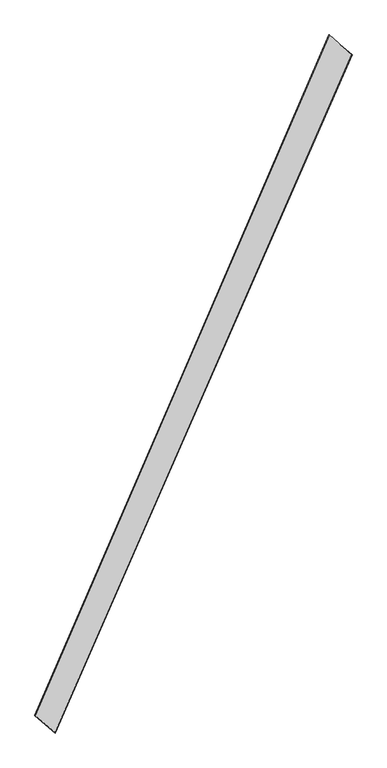
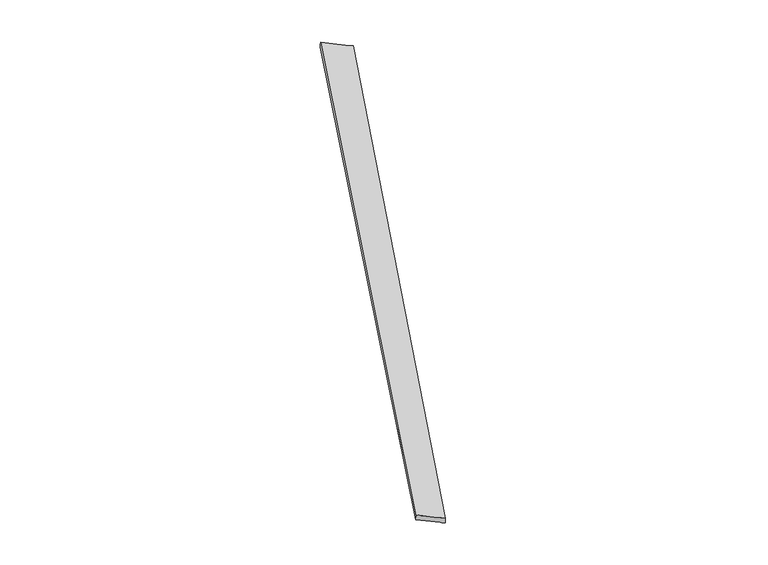
"""IFC4 building model written with IfcOpenShell, lengths in millimetres: proxy geometry."""

from ifc_helpers import new_model, si_unit, origin, place, context, project, spatial, source, transform, mapped, element, save
from ifc_brep_helpers import spline_surface, advanced_brep


def generic_models_7a6e8adc(model_context):
    return source(origin(), model_context, "Body", "AdvancedBrep", [
        advanced_brep(
        [(-708.7939594, -1795.6113638, 0.4552841), (-710.2056513, -1795.0007671, -29.5052615), (983.0409743, 2069.6324946, -30.3812591), (981.7454829, 2070.205763, -0.4147266), (-824.2451152, -1696.011464, -30.3900101), (851.4414684, 2181.3664393, -29.5299356), (-826.0621275, -1695.2309844, -0.4552591), (853.110604, 2180.6365852, 0.4147016)],
        [
            (0, 1),
            (1, 2),
            (2, 3),
            (3, 0),
            (1, 4),
            (4, 5),
            (5, 2),
            (4, 6),
            (6, 7),
            (7, 5),
            (6, 0),
            (3, 7),
        ],
        [
            spline_surface(1, 1, [[(-708.7939594, -1795.6113638, 0.4552841), (981.7454829, 2070.205763, -0.4147266)], [(-710.2056513, -1795.0007671, -29.5052615), (983.0409743, 2069.6324946, -30.3812591)]], [2, 2], [2, 2], [0.0, 1.0], [0.0, 1.0]),
            spline_surface(1, 1, [[(-710.2056513, -1795.0007671, -29.5052615), (983.0409743, 2069.6324946, -30.3812591)], [(-824.2451152, -1696.011464, -30.3900101), (851.4414684, 2181.3664393, -29.5299356)]], [2, 2], [2, 2], [0.0, 1.0], [0.0, 1.0]),
            spline_surface(1, 1, [[(-824.2451152, -1696.011464, -30.3900101), (851.4414684, 2181.3664393, -29.5299356)], [(-826.0621275, -1695.2309844, -0.4552591), (853.110604, 2180.6365852, 0.4147016)]], [2, 2], [2, 2], [0.0, 1.0], [0.0, 1.0]),
            spline_surface(1, 1, [[(-826.0621275, -1695.2309844, -0.4552591), (853.110604, 2180.6365852, 0.4147016)], [(-708.7939594, -1795.6113638, 0.4552841), (981.7454829, 2070.205763, -0.4147266)]], [2, 2], [2, 2], [0.0, 1.0], [0.0, 1.0]),
            spline_surface(1, 1, [[(983.0409743, 2069.6324946, -30.3812591), (981.7454829, 2070.205763, -0.4147266)], [(851.4414684, 2181.3664393, -29.5299356), (853.110604, 2180.6365852, 0.4147016)]], [2, 2], [2, 2], [0.0, 1.0], [0.0, 1.0]),
            spline_surface(1, 1, [[(-826.0621275, -1695.2309844, -0.4552591), (-708.7939594, -1795.6113638, 0.4552841)], [(-824.2451152, -1696.011464, -30.3900101), (-710.2056513, -1795.0007671, -29.5052615)]], [2, 2], [2, 2], [0.0, 1.0], [0.0, 1.0]),
        ],
        [
            (0, [[1, 2, 3, 4]]),
            (1, [[5, 6, 7, -2]]),
            (2, [[8, 9, 10, -6]]),
            (3, [[11, -4, 12, -9]]),
            (4, [[-3, -7, -10, -12]]),
            (5, [[-11, -8, -5, -1]]),
        ],
    ),
    ])


if __name__ == "__main__":
    model = new_model("IFC4")
    model_context = context("Model", 3, world=origin())
    ifc_project = project(units=[si_unit("LENGTHUNIT", "METRE", prefix="MILLI")], contexts=[model_context])
    site = spatial("IfcSite", under=ifc_project)
    building = spatial("IfcBuilding", under=site)
    placement = place(None, origin())
    generic_models_shape = generic_models_7a6e8adc(model_context)
    element("IfcBuildingElementProxy", 1, Name="Generic Models", at=placement, inside=building, context=model_context, shape_type="MappedRepresentation", body=[
        mapped(generic_models_shape, transform((0.0, 0.0, 0.0), x_axis=(1.0, 0.0, 0.0), y_axis=(0.0, 1.0, 0.0), z_axis=(0.0, 0.0, 1.0))),
    ])
    save(model, "model.ifc")
